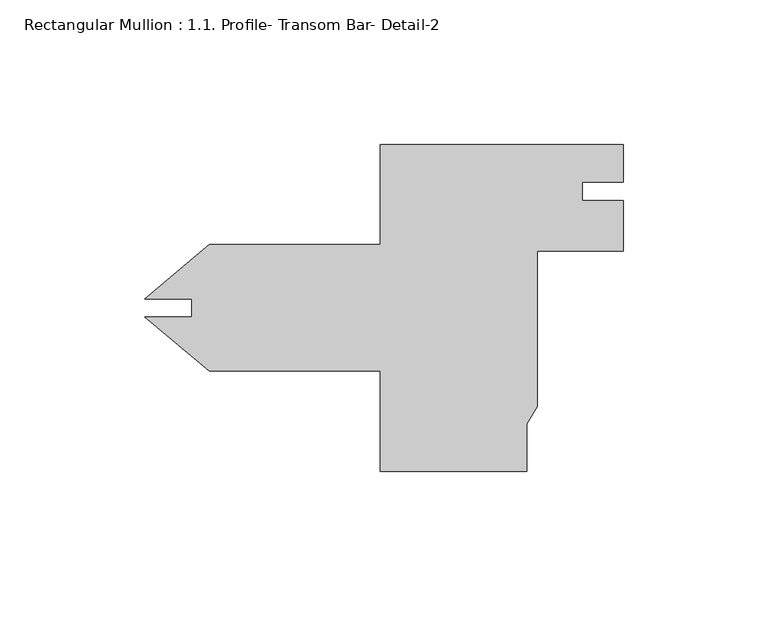
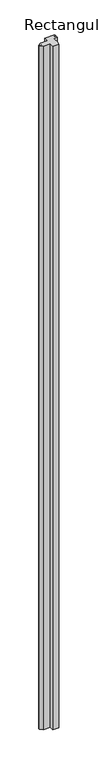
"""IFC4 building model written with IfcOpenShell, lengths in millimetres: member geometry, Rectangular Mullion : 1.1. Profile- Transom Bar- Detail-2."""

from ifc_helpers import new_model, si_unit, frame, origin, place, context, project, spatial, polyline, outline, extrude, source, transform, mapped, element, save


def rectangular_mullion_1_1_profile_transom_bar_detail_2_1ab69edd(model_context):
    return source(origin(), model_context, "Body", "SweptSolid", [
        extrude(outline(polyline([(58.7362808, 43.5146214), (44.45, 43.5146214), (44.45, 37.1646214), (58.7375, 37.1646214), (58.7375, 19.6952119), (28.9005843, 19.6952119), (28.9005843, -34.0382459), (25.4, -40.1152603), (25.4, -56.5404), (-25.4, -56.5404), (-25.4, -21.8948), (-84.4539868, -21.8948), (-106.7788023, -3.1620555), (-90.5002, -3.1620555), (-90.5002, 3.1620555), (-106.7788023, 3.1620555), (-84.4539868, 21.8948), (-25.4, 21.8948), (-25.4, 56.5404), (58.7362808, 56.5404), (58.7362808, 43.5146214)])), frame((0.0, 0.0, -5994.4000041), z_axis=(0.0, 0.0, 1.0), x_axis=(1.0, 0.0, 0.0)), (0.0, 0.0, 1.0), 5994.4000041),
    ])


if __name__ == "__main__":
    model = new_model("IFC4")
    model_context = context("Model", 3, world=origin())
    ifc_project = project(units=[si_unit("LENGTHUNIT", "METRE", prefix="MILLI")], contexts=[model_context])
    site = spatial("IfcSite", under=ifc_project)
    building = spatial("IfcBuilding", under=site)
    placement = place(None, origin())
    rectangular_mullion_1_1_profile_transom_bar_detail_2_shape = rectangular_mullion_1_1_profile_transom_bar_detail_2_1ab69edd(model_context)
    element("IfcMember", 1, ObjectType="Rectangular Mullion : 1.1. Profile- Transom Bar- Detail-2", at=placement, inside=building, context=model_context, shape_type="MappedRepresentation", body=[
        mapped(rectangular_mullion_1_1_profile_transom_bar_detail_2_shape, transform((0.0, 0.0, 0.0), x_axis=(1.0, 0.0, 0.0), y_axis=(0.0, 1.0, 0.0), z_axis=(0.0, 0.0, 1.0))),
    ])
    save(model, "model.ifc")
